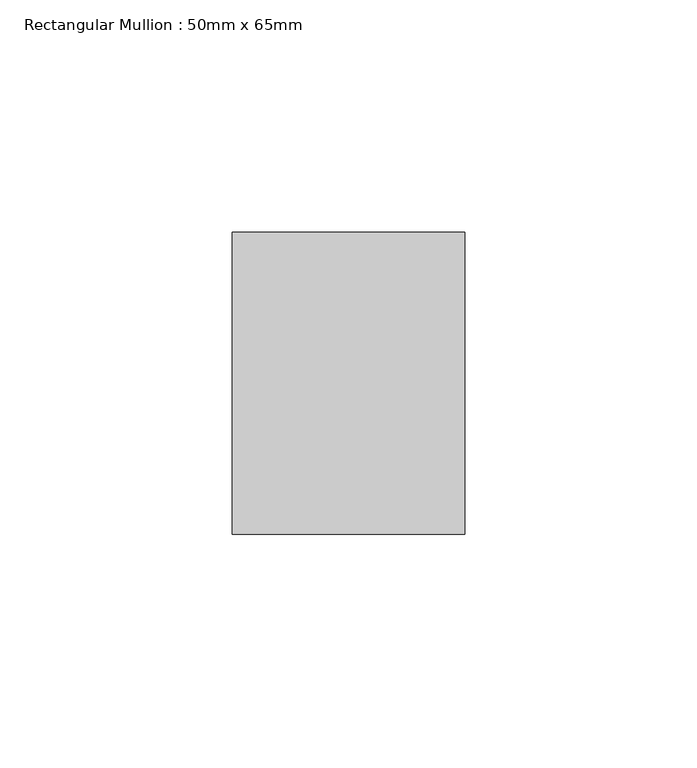
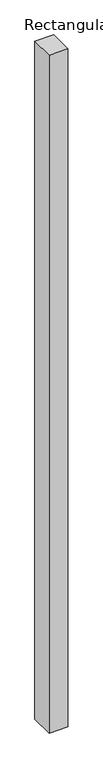
"""IFC4 building model written with IfcOpenShell, lengths in millimetres: member geometry, Rectangular Mullion : 50mm x 65mm."""

from ifc_helpers import new_model, si_unit, frame, origin, place, context, project, spatial, polyline, outline, extrude, source, transform, mapped, element, save


def rectangular_mullion_50mm_x_65mm_d60f6b6f(model_context):
    return source(origin(), model_context, "Body", "SweptSolid", [
        extrude(outline(polyline([(25.0, 32.5), (25.0, -32.5), (-25.0, -32.5), (-25.0, 32.5), (25.0, 32.5)])), frame((0.0, 0.0, -1897.7014974), z_axis=(0.0, 0.0, 1.0), x_axis=(1.0, 0.0, 0.0)), (0.0, 0.0, 1.0), 1897.7014974),
    ])


if __name__ == "__main__":
    model = new_model("IFC4")
    model_context = context("Model", 3, world=origin())
    ifc_project = project(units=[si_unit("LENGTHUNIT", "METRE", prefix="MILLI")], contexts=[model_context])
    site = spatial("IfcSite", under=ifc_project)
    building = spatial("IfcBuilding", under=site)
    placement = place(None, origin())
    rectangular_mullion_50mm_x_65mm_shape = rectangular_mullion_50mm_x_65mm_d60f6b6f(model_context)
    element("IfcMember", 1, ObjectType="Rectangular Mullion : 50mm x 65mm", at=placement, inside=building, context=model_context, shape_type="MappedRepresentation", body=[
        mapped(rectangular_mullion_50mm_x_65mm_shape, transform((0.0, 0.0, 0.0), x_axis=(1.0, 0.0, 0.0), y_axis=(0.0, 1.0, 0.0), z_axis=(0.0, 0.0, 1.0))),
    ])
    save(model, "model.ifc")
